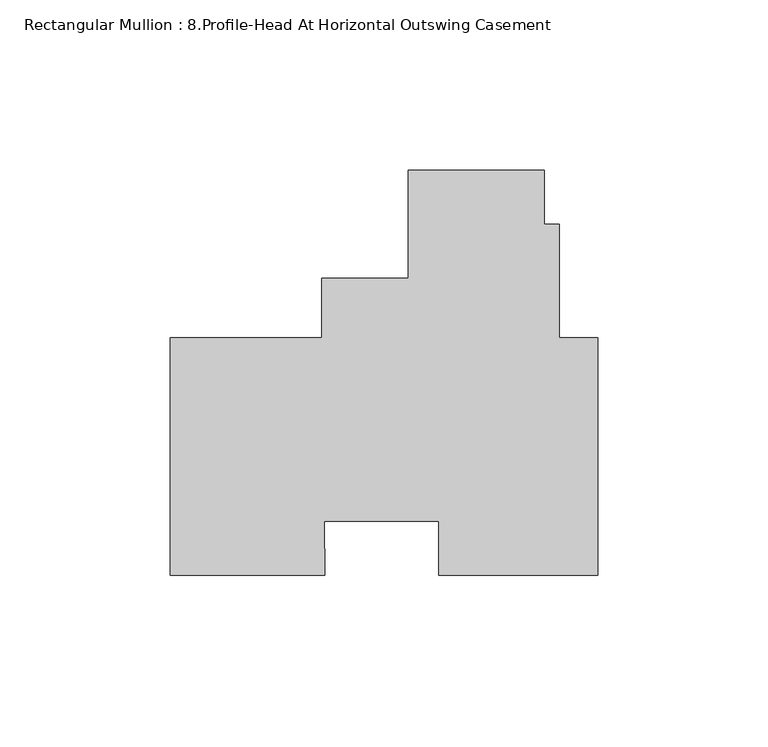
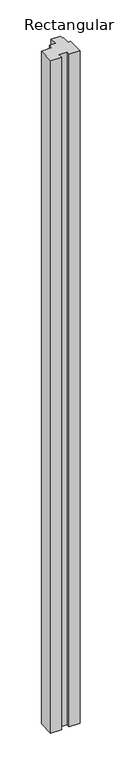
"""IFC4 building model written with IfcOpenShell, lengths in millimetres: member geometry, Rectangular Mullion : 8.Profile-Head At Horizontal Outswing Casement."""

from ifc_helpers import new_model, si_unit, frame, origin, place, context, project, spatial, polyline, outline, extrude, source, transform, mapped, element, save


def rectangular_mullion_8_profile_head_at_horizontal_outswing_dae6acf0(model_context):
    return source(origin(), model_context, "Body", "SweptSolid", [
        extrude(outline(polyline([(-81.140198, 34.925), (-81.140198, 52.4002), (-55.740198, 52.4002), (-55.740198, 84.14837), (-15.7432204, 84.14837), (-15.7432204, 68.2742795), (-11.2982204, 68.2742795), (-11.2982204, 34.925), (0.0, 34.925), (0.0, -34.925), (-46.8497888, -34.925), (-46.8497888, -19.05), (-80.4751121, -19.05), (-80.2810629, -34.925), (-125.7808, -34.925), (-125.7808, 34.925), (-81.140198, 34.925)])), frame((0.0, 0.0, -3048.0), z_axis=(0.0, 0.0, 1.0), x_axis=(1.0, 0.0, 0.0)), (0.0, 0.0, 1.0), 3048.0),
    ])


if __name__ == "__main__":
    model = new_model("IFC4")
    model_context = context("Model", 3, world=origin())
    ifc_project = project(units=[si_unit("LENGTHUNIT", "METRE", prefix="MILLI")], contexts=[model_context])
    site = spatial("IfcSite", under=ifc_project)
    building = spatial("IfcBuilding", under=site)
    placement = place(None, origin())
    rectangular_mullion_8_profile_head_at_horizontal_outswing_shape = rectangular_mullion_8_profile_head_at_horizontal_outswing_dae6acf0(model_context)
    element("IfcMember", 1, ObjectType="Rectangular Mullion : 8.Profile-Head At Horizontal Outswing Casement", at=placement, inside=building, context=model_context, shape_type="MappedRepresentation", body=[
        mapped(rectangular_mullion_8_profile_head_at_horizontal_outswing_shape, transform((0.0, 0.0, 0.0), x_axis=(1.0, 0.0, 0.0), y_axis=(0.0, 1.0, 0.0), z_axis=(0.0, 0.0, 1.0))),
    ])
    save(model, "model.ifc")
